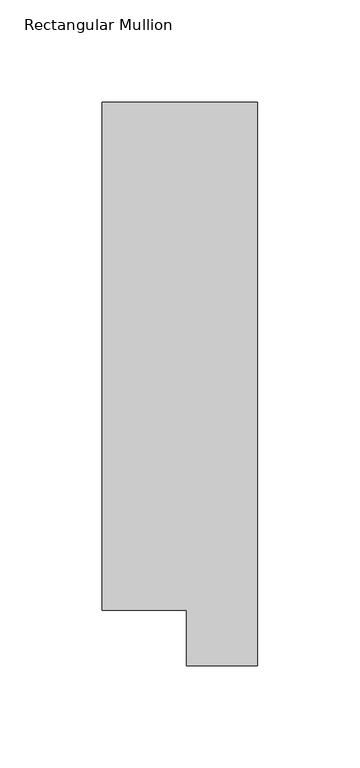
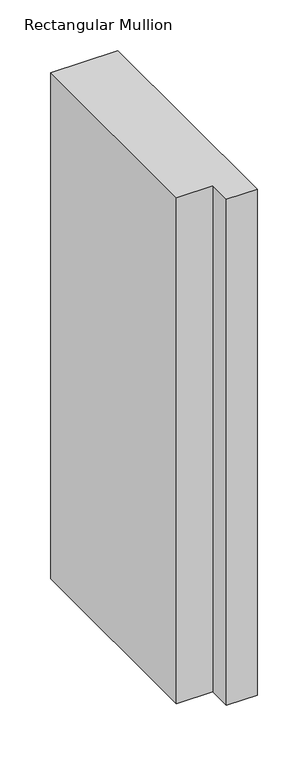
"""IFC4 building model written with IfcOpenShell, lengths in millimetres: member geometry, Rectangular Mullion."""

from ifc_helpers import new_model, si_unit, frame, origin, place, context, project, spatial, polyline, outline, extrude, source, transform, mapped, element, save


def rectangular_mullion_8af40205(model_context):
    return source(origin(), model_context, "Body", "SweptSolid", [
        extrude(outline(polyline([(0.0, 295.1821312), (0.0, 19.5667313), (-34.9123, 19.5667313), (-34.9123, 46.7447302), (-76.2, 46.7447302), (-76.2, 295.1821312), (0.0, 295.1821312)])), frame((0.0, 0.0, -609.6), z_axis=(0.0, 0.0, 1.0), x_axis=(1.0, 0.0, 0.0)), (0.0, 0.0, 1.0), 609.6),
    ])


if __name__ == "__main__":
    model = new_model("IFC4")
    model_context = context("Model", 3, world=origin())
    ifc_project = project(units=[si_unit("LENGTHUNIT", "METRE", prefix="MILLI")], contexts=[model_context])
    site = spatial("IfcSite", under=ifc_project)
    building = spatial("IfcBuilding", under=site)
    placement = place(None, origin())
    rectangular_mullion_shape = rectangular_mullion_8af40205(model_context)
    element("IfcMember", 1, ObjectType="Rectangular Mullion", at=placement, inside=building, context=model_context, shape_type="MappedRepresentation", body=[
        mapped(rectangular_mullion_shape, transform((0.0, 0.0, 0.0), x_axis=(1.0, 0.0, 0.0), y_axis=(0.0, 1.0, 0.0), z_axis=(0.0, 0.0, 1.0))),
    ])
    save(model, "model.ifc")
